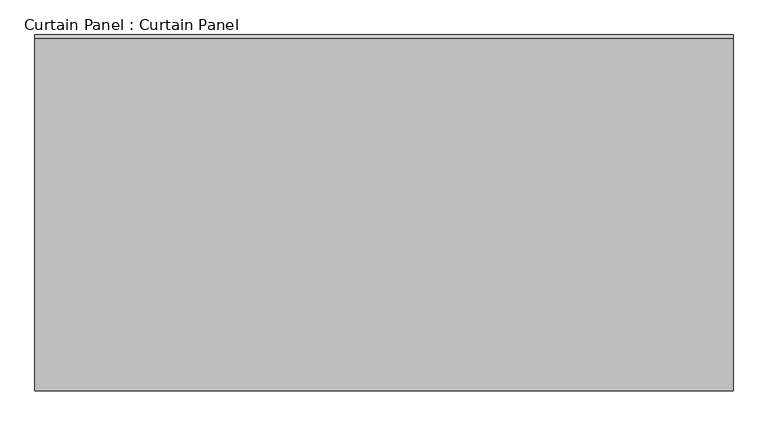
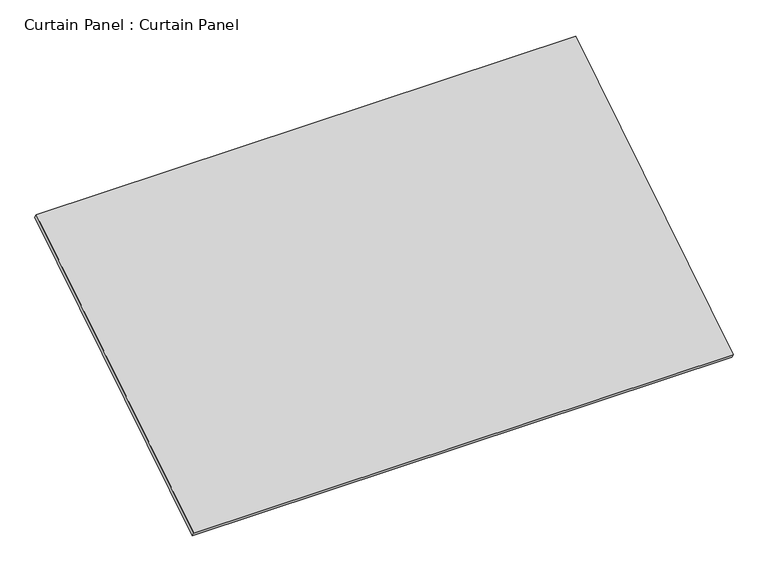
"""IFC4 building model written with IfcOpenShell, lengths in millimetres: plate geometry, Curtain Panel : Curtain Panel."""

from ifc_helpers import new_model, si_unit, frame, origin, place, context, project, spatial, polyline, outline, extrude, source, transform, mapped, element, save


def curtain_panel_curtain_panel_4b044d20(model_context):
    return source(origin(), model_context, "Body", "SweptSolid", [
        extrude(outline(polyline([(-63.5, 0.0), (-63.5, -1782.4164482), (-3048.0, -1782.4164482), (-3048.0, 0.0), (-63.5, 0.0)])), frame((-117670.6430895, 3817.3599492, 12045.6104005), z_axis=(0.0, -0.5318918435658209, 0.8468122972348432), x_axis=(-1.0, 0.0, 0.0)), (0.0, 0.0, 1.0), 25.4),
    ])


if __name__ == "__main__":
    model = new_model("IFC4")
    model_context = context("Model", 3, world=origin())
    ifc_project = project(units=[si_unit("LENGTHUNIT", "METRE", prefix="MILLI")], contexts=[model_context])
    site = spatial("IfcSite", under=ifc_project)
    building = spatial("IfcBuilding", under=site)
    placement = place(None, origin())
    curtain_panel_curtain_panel_shape = curtain_panel_curtain_panel_4b044d20(model_context)
    element("IfcPlate", 1, ObjectType="Curtain Panel : Curtain Panel", at=placement, inside=building, context=model_context, shape_type="MappedRepresentation", body=[
        mapped(curtain_panel_curtain_panel_shape, transform((0.0, 0.0, 0.0), x_axis=(1.0, 0.0, 0.0), y_axis=(0.0, 1.0, 0.0), z_axis=(0.0, 0.0, 1.0))),
    ])
    save(model, "model.ifc")
